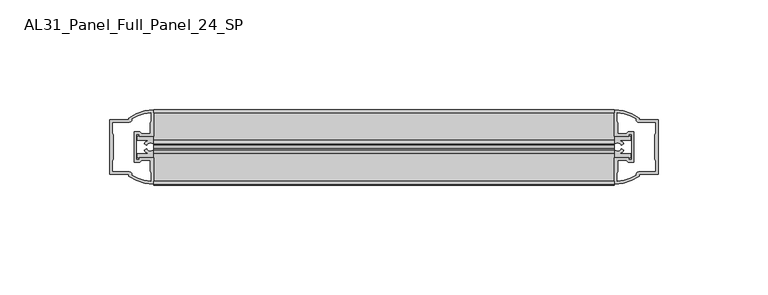
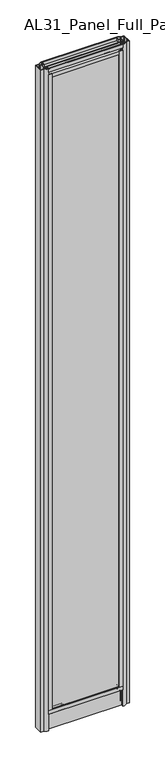
"""IFC4 building model written with IfcOpenShell, lengths in millimetres: plate geometry, AL31_Panel_Full_Panel_24_SP."""

from ifc_helpers import new_model, si_unit, point, frame, frame_2d, origin, origin_with_axes, place, context, project, spatial, polyline, circle_curve, trimmed, segment, composite_curve, outline, extrude, source, transform, mapped, element, save


def al31_panel_full_panel_24_sp_2b6be3f7(model_context):
    return source(origin(), model_context, "Body", "SweptSolid", [
        extrude(outline(composite_curve([segment(polyline([(-0.8778244, 46.2206013), (-1.4322398, 45.1563534)]), True, "CONTINUOUS"), segment(trimmed(circle_curve(frame_2d((0.0, 47.9056604)), 3.1), [point((-1.4322398, 45.1563534))], [point((-3.05, 47.3511336))], False, "CARTESIAN"), True, "CONTINUOUS"), segment(polyline([(-3.05, 47.3511336), (-3.05, 41.9), (-5.0, 41.9), (-5.0, 49.4), (-17.0, 49.4), (-17.0, 59.2), (-14.8, 59.2), (-14.8, 51.3), (14.8, 51.3), (14.8, 59.2), (17.0, 59.2), (17.0, 49.4), (5.0, 49.4), (5.0, 41.9), (3.05, 41.9), (3.05, 47.3511336)]), True, "CONTINUOUS"), segment(trimmed(circle_curve(frame_2d((0.0, 47.9056604)), 3.1), [point((3.05, 47.3511336))], [point((1.4322398, 45.1563534))], False, "CARTESIAN"), True, "CONTINUOUS"), segment(polyline([(1.4322398, 45.1563534), (0.8778244, 46.2206013)]), True, "CONTINUOUS"), segment(trimmed(circle_curve(frame_2d((0.0, 47.9056604)), 1.9), [point((0.8778244, 46.2206013))], [point((0.0, 49.8056604))], True, "CARTESIAN"), True, "CONTINUOUS"), segment(trimmed(circle_curve(frame_2d((0.0, 47.9056604)), 1.9), [point((0.0, 49.8056604))], [point((-0.8778244, 46.2206013))], True, "CARTESIAN"), True, "CONTINUOUS")], self_intersect=False)), frame((-105.0, 0.0, 0.0), z_axis=(1.0, 0.0, 0.0), x_axis=(0.0, 1.0, 0.0)), (0.0, 0.0, 1.0), 210.0),
        extrude(outline(composite_curve([segment(trimmed(circle_curve(frame_2d((-106.4943396, 0.0)), 1.9), [point((-108.1793987, -0.8778244))], [point((-104.5943396, 0.0))], True, "CARTESIAN"), True, "CONTINUOUS"), segment(trimmed(circle_curve(frame_2d((-106.4943396, 0.0)), 1.9), [point((-104.5943396, 0.0))], [point((-108.1793987, 0.8778244))], True, "CARTESIAN"), True, "CONTINUOUS"), segment(polyline([(-108.1793987, 0.8778244), (-109.2436466, 1.4322398)]), True, "CONTINUOUS"), segment(trimmed(circle_curve(frame_2d((-106.4943396, 0.0)), 3.1), [point((-109.2436466, 1.4322398))], [point((-107.0488664, 3.05))], False, "CARTESIAN"), True, "CONTINUOUS"), segment(polyline([(-107.0488664, 3.05), (-112.5, 3.05), (-112.5, 5.0), (-105.0, 5.0), (-105.0, 17.0), (-95.2, 17.0), (-95.2, 14.8), (-103.1, 14.8), (-103.1, -14.8), (-95.2, -14.8), (-95.2, -17.0), (-105.0, -17.0), (-105.0, -5.0), (-112.5, -5.0), (-112.5, -3.05), (-107.0488664, -3.05)]), True, "CONTINUOUS"), segment(trimmed(circle_curve(frame_2d((-106.4943396, 0.0)), 3.1), [point((-107.0488664, -3.05))], [point((-109.2436466, -1.4322398))], False, "CARTESIAN"), True, "CONTINUOUS"), segment(polyline([(-109.2436466, -1.4322398), (-108.1793987, -0.8778244)]), True, "CONTINUOUS")], self_intersect=False)), frame((0.0, 0.0, 49.4), z_axis=(0.0, 0.0, 1.0), x_axis=(1.0, 0.0, 0.0)), (0.0, 0.0, 1.0), 1906.6),
        extrude(outline(composite_curve([segment(polyline([(108.1793987, -0.8778244), (109.2436466, -1.4322398)]), True, "CONTINUOUS"), segment(trimmed(circle_curve(frame_2d((106.4943396, 0.0)), 3.1), [point((109.2436466, -1.4322398))], [point((107.0488664, -3.05))], False, "CARTESIAN"), True, "CONTINUOUS"), segment(polyline([(107.0488664, -3.05), (112.5, -3.05), (112.5, -5.0), (105.0, -5.0), (105.0, -17.0), (95.2, -17.0), (95.2, -14.8), (103.1, -14.8), (103.1, 14.8), (95.2, 14.8), (95.2, 17.0), (105.0, 17.0), (105.0, 5.0), (112.5, 5.0), (112.5, 3.05), (107.0488664, 3.05)]), True, "CONTINUOUS"), segment(trimmed(circle_curve(frame_2d((106.4943396, 0.0)), 3.1), [point((107.0488664, 3.05))], [point((109.2436466, 1.4322398))], False, "CARTESIAN"), True, "CONTINUOUS"), segment(polyline([(109.2436466, 1.4322398), (108.1793987, 0.8778244)]), True, "CONTINUOUS"), segment(trimmed(circle_curve(frame_2d((106.4943396, 0.0)), 1.9), [point((108.1793987, 0.8778244))], [point((104.5943396, 0.0))], True, "CARTESIAN"), True, "CONTINUOUS"), segment(trimmed(circle_curve(frame_2d((106.4943396, 0.0)), 1.9), [point((104.5943396, 0.0))], [point((108.1793987, -0.8778244))], True, "CARTESIAN"), True, "CONTINUOUS")], self_intersect=False)), frame((0.0, 0.0, 49.4), z_axis=(0.0, 0.0, 1.0), x_axis=(1.0, 0.0, 0.0)), (0.0, 0.0, 1.0), 1906.6),
        extrude(outline(composite_curve([segment(polyline([(0.8778244, 1959.1793987), (1.4322398, 1960.2436466)]), True, "CONTINUOUS"), segment(trimmed(circle_curve(frame_2d((0.0, 1957.4943396)), 3.1), [point((1.4322398, 1960.2436466))], [point((3.05, 1958.0488664))], False, "CARTESIAN"), True, "CONTINUOUS"), segment(polyline([(3.05, 1958.0488664), (3.05, 1963.5), (5.0, 1963.5), (5.0, 1956.0), (17.0, 1956.0), (17.0, 1946.2), (14.8, 1946.2), (14.8, 1954.1), (-14.8, 1954.1), (-14.8, 1946.2), (-17.0, 1946.2), (-17.0, 1956.0), (-5.0, 1956.0), (-5.0, 1963.5), (-3.05, 1963.5), (-3.05, 1958.0488664)]), True, "CONTINUOUS"), segment(trimmed(circle_curve(frame_2d((0.0, 1957.4943396)), 3.1), [point((-3.05, 1958.0488664))], [point((-1.4322398, 1960.2436466))], False, "CARTESIAN"), True, "CONTINUOUS"), segment(polyline([(-1.4322398, 1960.2436466), (-0.8778244, 1959.1793987)]), True, "CONTINUOUS"), segment(trimmed(circle_curve(frame_2d((0.0, 1957.4943396)), 1.9), [point((-0.8778244, 1959.1793987))], [point((0.0, 1955.5943396))], True, "CARTESIAN"), True, "CONTINUOUS"), segment(trimmed(circle_curve(frame_2d((0.0, 1957.4943396)), 1.9), [point((0.0, 1955.5943396))], [point((0.8778244, 1959.1793987))], True, "CARTESIAN"), True, "CONTINUOUS")], self_intersect=False)), frame((-105.0, 0.0, 0.0), z_axis=(1.0, 0.0, 0.0), x_axis=(0.0, 1.0, 0.0)), (0.0, 0.0, 1.0), 210.0),
        extrude(outline(composite_curve([segment(polyline([(-1.4, 1968.8980762), (-0.85, 1967.9454483)]), True, "CONTINUOUS"), segment(trimmed(circle_curve(frame_2d((0.1, 1966.3)), 1.9), [point((-0.85, 1967.9454483))], [point((1.05, 1967.9454483))], True, "CARTESIAN"), True, "CONTINUOUS"), segment(polyline([(1.05, 1967.9454483), (1.6, 1968.8980762)]), True, "CONTINUOUS"), segment(trimmed(circle_curve(frame_2d((0.1, 1966.3)), 3.0), [point((1.6, 1968.8980762))], [point((2.5718414, 1964.6))], False, "CARTESIAN"), True, "CONTINUOUS"), segment(polyline([(2.5718414, 1964.6), (15.7, 1964.6), (15.7, 1974.0), (17.0, 1974.0), (17.0, 1963.5), (6.7024688, 1963.5), (6.7024688, 1962.7), (6.1968782, 1960.7785039), (6.1968782, 1956.1), (5.0, 1956.1), (5.0, 1961.4339746), (5.5, 1962.3), (5.5, 1963.5), (-5.5, 1963.5), (-5.5, 1962.3), (-5.0, 1961.4339746), (-5.0, 1956.1), (-6.1968782, 1956.1), (-6.1968782, 1960.7785039), (-6.7024688, 1962.7), (-6.7024688, 1963.5), (-17.0, 1963.5), (-17.0, 1974.0), (-15.7, 1974.0), (-15.7, 1964.6), (-2.3718414, 1964.6)]), True, "CONTINUOUS"), segment(trimmed(circle_curve(frame_2d((0.1, 1966.3)), 3.0), [point((-2.3718414, 1964.6))], [point((-1.4, 1968.8980762))], False, "CARTESIAN"), True, "CONTINUOUS")], self_intersect=False)), frame((-105.0, 0.0, 0.0), z_axis=(1.0, 0.0, 0.0), x_axis=(0.0, 1.0, 0.0)), (0.0, 0.0, 1.0), 210.0),
        extrude(outline(composite_curve([segment(polyline([(-112.8414214, -5.9), (-111.6414214, -5.9), (-111.6414214, -5.0), (-105.0, -5.0), (-105.0, -17.0001453)]), True, "CONTINUOUS"), segment(trimmed(circle_curve(frame_2d((-104.6353484, 2.9965302)), 20.0), [point((-105.0, -17.0001453))], [point((-116.3558352, -13.2093388))], False, "CARTESIAN"), True, "CONTINUOUS"), segment(polyline([(-116.3558352, -13.2093388), (-116.3558352, -12.3279343), (-125.0, -12.3279343), (-125.0, 12.3720657), (-116.3558352, 12.3720657), (-116.3558352, 13.2095249)]), True, "CONTINUOUS"), segment(trimmed(circle_curve(frame_2d((-104.6353484, -2.9963441)), 20.0), [point((-116.3558352, 13.2095249))], [point((-105.0, 17.0003314))], False, "CARTESIAN"), True, "CONTINUOUS"), segment(polyline([(-105.0, 17.0003314), (-105.0, 5.0), (-111.6414214, 5.0), (-111.6414214, 5.9), (-112.8414214, 5.9), (-112.8414214, -5.9)]), True, "CONTINUOUS")], self_intersect=False), holes=[composite_curve([segment(trimmed(circle_curve(frame_2d((-111.8414214, 5.7)), 1.5), [point((-111.8414214, 7.2))], [point((-110.4861671, 6.3428731))], False, "CARTESIAN"), True, "CONTINUOUS"), segment(polyline([(-110.4861671, 6.3428731), (-106.7414214, 6.3428731), (-106.7414214, 10.939223), (-106.3020815, 11.9998832), (-106.3020815, 15.6499817)]), True, "CONTINUOUS"), segment(trimmed(circle_curve(frame_2d((-104.6353484, -2.9755921)), 18.7), [point((-106.3020815, 15.6499817))], [point((-114.6421262, 12.8216987))], True, "CARTESIAN"), True, "CONTINUOUS"), segment(trimmed(circle_curve(frame_2d((-116.4414214, 12.8720657)), 1.8), [point((-114.6421262, 12.8216987))], [point((-116.4414214, 11.0720657))], False, "CARTESIAN"), True, "CONTINUOUS"), segment(polyline([(-116.4414214, 11.0720657), (-123.5828427, 11.0720657), (-123.5828427, 6.5019606), (-123.1414214, 5.439223), (-123.1414214, -5.3950916), (-123.6414214, -6.3879987), (-123.6414214, -11.0279343), (-116.4414214, -11.0279343)]), True, "CONTINUOUS"), segment(trimmed(circle_curve(frame_2d((-116.4414214, -12.8279343)), 1.8), [point((-116.4414214, -11.0279343))], [point((-114.6421262, -12.7775673))], False, "CARTESIAN"), True, "CONTINUOUS"), segment(trimmed(circle_curve(frame_2d((-104.6353484, 3.0197235)), 18.7), [point((-114.6421262, -12.7775673))], [point((-106.3020815, -15.6058503))], True, "CARTESIAN"), True, "CONTINUOUS"), segment(polyline([(-106.3020815, -15.6058503), (-106.3020815, -11.9557518), (-106.7414214, -10.8950916), (-106.7414214, -6.2991308), (-110.4662696, -6.2991308)]), True, "CONTINUOUS"), segment(trimmed(circle_curve(frame_2d((-111.8414214, -5.7)), 1.5), [point((-110.4662696, -6.2991308))], [point((-111.8414214, -7.2))], False, "CARTESIAN"), True, "CONTINUOUS"), segment(polyline([(-111.8414214, -7.2), (-114.1414214, -7.2), (-114.1414214, 7.2), (-111.8414214, 7.2)]), True, "CONTINUOUS")], self_intersect=False)]), origin_with_axes(), (0.0, 0.0, 1.0), 1974.0),
        extrude(outline(composite_curve([segment(polyline([(112.8414214, 5.9), (111.6414214, 5.9), (111.6414214, 5.0), (105.0, 5.0), (105.0, 17.0001453)]), True, "CONTINUOUS"), segment(trimmed(circle_curve(frame_2d((104.6353484, -2.9965302)), 20.0), [point((105.0, 17.0001453))], [point((116.3558352, 13.2093388))], False, "CARTESIAN"), True, "CONTINUOUS"), segment(polyline([(116.3558352, 13.2093388), (116.3558352, 12.3279343), (125.0, 12.3279343), (125.0, -12.3720657), (116.3558352, -12.3720657), (116.3558352, -13.2095249)]), True, "CONTINUOUS"), segment(trimmed(circle_curve(frame_2d((104.6353484, 2.9963441)), 20.0), [point((116.3558352, -13.2095249))], [point((105.0, -17.0003314))], False, "CARTESIAN"), True, "CONTINUOUS"), segment(polyline([(105.0, -17.0003314), (105.0, -5.0), (111.6414214, -5.0), (111.6414214, -5.9), (112.8414214, -5.9), (112.8414214, 5.9)]), True, "CONTINUOUS")], self_intersect=False), holes=[composite_curve([segment(trimmed(circle_curve(frame_2d((111.8414214, -5.7)), 1.5), [point((111.8414214, -7.2))], [point((110.4861671, -6.3428731))], False, "CARTESIAN"), True, "CONTINUOUS"), segment(polyline([(110.4861671, -6.3428731), (106.7414214, -6.3428731), (106.7414214, -10.939223), (106.3020815, -11.9998832), (106.3020815, -15.6499817)]), True, "CONTINUOUS"), segment(trimmed(circle_curve(frame_2d((104.6353484, 2.9755921)), 18.7), [point((106.3020815, -15.6499817))], [point((114.6421262, -12.8216987))], True, "CARTESIAN"), True, "CONTINUOUS"), segment(trimmed(circle_curve(frame_2d((116.4414214, -12.8720657)), 1.8), [point((114.6421262, -12.8216987))], [point((116.4414214, -11.0720657))], False, "CARTESIAN"), True, "CONTINUOUS"), segment(polyline([(116.4414214, -11.0720657), (123.5828427, -11.0720657), (123.5828427, -6.5019606), (123.1414214, -5.439223), (123.1414214, 5.3950916), (123.6414214, 6.3879987), (123.6414214, 11.0279343), (116.4414214, 11.0279343)]), True, "CONTINUOUS"), segment(trimmed(circle_curve(frame_2d((116.4414214, 12.8279343)), 1.8), [point((116.4414214, 11.0279343))], [point((114.6421262, 12.7775673))], False, "CARTESIAN"), True, "CONTINUOUS"), segment(trimmed(circle_curve(frame_2d((104.6353484, -3.0197235)), 18.7), [point((114.6421262, 12.7775673))], [point((106.3020815, 15.6058503))], True, "CARTESIAN"), True, "CONTINUOUS"), segment(polyline([(106.3020815, 15.6058503), (106.3020815, 11.9557518), (106.7414214, 10.8950916), (106.7414214, 6.2991308), (110.4662696, 6.2991308)]), True, "CONTINUOUS"), segment(trimmed(circle_curve(frame_2d((111.8414214, 5.7)), 1.5), [point((110.4662696, 6.2991308))], [point((111.8414214, 7.2))], False, "CARTESIAN"), True, "CONTINUOUS"), segment(polyline([(111.8414214, 7.2), (114.1414214, 7.2), (114.1414214, -7.2), (111.8414214, -7.2)]), True, "CONTINUOUS")], self_intersect=False)]), origin_with_axes(), (0.0, 0.0, 1.0), 1974.0),
        extrude(outline(composite_curve([segment(trimmed(circle_curve(frame_2d((-8.4, 34.8)), 1.0), [point((-8.4, 35.8))], [point((-9.4, 34.8))], True, "CARTESIAN"), True, "CONTINUOUS"), segment(polyline([(-9.4, 34.8), (-9.4, 33.5), (-5.0000303, 33.5), (-5.0000303, 32.3), (-9.4, 32.3), (-9.4, 0.0), (-10.6, 0.0), (-10.6, 47.3)]), True, "CONTINUOUS"), segment(trimmed(circle_curve(frame_2d((-8.6, 47.3)), 2.0), [point((-10.6, 47.3))], [point((-8.6, 49.3))], False, "CARTESIAN"), True, "CONTINUOUS"), segment(polyline([(-8.6, 49.3), (-5.0, 49.3), (-5.0, 41.9), (5.0, 41.9), (5.0, 49.3), (8.6, 49.3)]), True, "CONTINUOUS"), segment(trimmed(circle_curve(frame_2d((8.6, 47.3)), 2.0), [point((8.6, 49.3))], [point((10.6, 47.3))], False, "CARTESIAN"), True, "CONTINUOUS"), segment(polyline([(10.6, 47.3), (10.6, 0.0), (9.4, 0.0), (9.4, 32.3), (4.9999697, 32.3), (4.9999697, 33.5), (9.4, 33.5), (9.4, 34.8)]), True, "CONTINUOUS"), segment(trimmed(circle_curve(frame_2d((8.4, 34.8)), 1.0), [point((9.4, 34.8))], [point((8.4, 35.8))], True, "CARTESIAN"), True, "CONTINUOUS"), segment(polyline([(8.4, 35.8), (-8.4, 35.8)]), True, "CONTINUOUS")], self_intersect=False), holes=[composite_curve([segment(trimmed(circle_curve(frame_2d((5.5024688, 41.8)), 1.0), [point((6.5024688, 41.8))], [point((5.5024688, 40.8))], False, "CARTESIAN"), True, "CONTINUOUS"), segment(polyline([(5.5024688, 40.8), (2.8008965, 40.8), (2.8008965, 39.7274194), (1.8370508, 39.7274194)]), True, "CONTINUOUS"), segment(trimmed(circle_curve(frame_2d((0.0, 38.7)), 2.1048387), [point((1.8370508, 39.7274194))], [point((-1.8370508, 39.7274194))], True, "CARTESIAN"), True, "CONTINUOUS"), segment(polyline([(-1.8370508, 39.7274194), (-2.8008965, 39.7274194), (-2.8008965, 40.8), (-5.5024688, 40.8)]), True, "CONTINUOUS"), segment(trimmed(circle_curve(frame_2d((-5.5024688, 41.8)), 1.0), [point((-5.5024688, 40.8))], [point((-6.5024688, 41.8))], False, "CARTESIAN"), True, "CONTINUOUS"), segment(polyline([(-6.5024688, 41.8), (-6.5024688, 42.7)]), True, "CONTINUOUS"), segment(trimmed(circle_curve(frame_2d((-5.3024688, 42.7)), 1.2), [point((-6.5024688, 42.7))], [point((-6.1198184, 43.5786009))], False, "CARTESIAN"), True, "CONTINUOUS"), segment(polyline([(-6.1198184, 43.5786009), (-6.1198184, 48.2), (-8.4, 48.2)]), True, "CONTINUOUS"), segment(trimmed(circle_curve(frame_2d((-8.4, 47.2)), 1.0), [point((-8.4, 48.2))], [point((-9.4, 47.2))], True, "CARTESIAN"), True, "CONTINUOUS"), segment(polyline([(-9.4, 47.2), (-9.4, 37.04), (-2.8008965, 37.04), (-2.8008965, 38.0725806), (-1.8370508, 38.0725806)]), True, "CONTINUOUS"), segment(trimmed(circle_curve(frame_2d((0.0, 39.1)), 2.1048387), [point((-1.8370508, 38.0725806))], [point((1.8370508, 38.0725806))], True, "CARTESIAN"), True, "CONTINUOUS"), segment(polyline([(1.8370508, 38.0725806), (2.8008965, 38.0725806), (2.8008965, 37.04), (9.4, 37.04), (9.4, 47.2)]), True, "CONTINUOUS"), segment(trimmed(circle_curve(frame_2d((8.4, 47.2)), 1.0), [point((9.4, 47.2))], [point((8.4, 48.2))], True, "CARTESIAN"), True, "CONTINUOUS"), segment(polyline([(8.4, 48.2), (6.1198184, 48.2), (6.1198184, 43.7786009)]), True, "CONTINUOUS"), segment(trimmed(circle_curve(frame_2d((5.3024688, 42.9)), 1.2), [point((6.1198184, 43.7786009))], [point((6.5024688, 42.9))], False, "CARTESIAN"), True, "CONTINUOUS"), segment(polyline([(6.5024688, 42.9), (6.5024688, 41.8)]), True, "CONTINUOUS")], self_intersect=False)]), frame((-105.0, 0.0, 0.0), z_axis=(1.0, 0.0, 0.0), x_axis=(0.0, 1.0, 0.0)), (0.0, 0.0, 1.0), 210.0),
        extrude(outline(polyline([(103.1, -8.0), (103.1, -12.0), (-103.1, -12.0), (-103.1, -8.0), (103.1, -8.0)])), frame((0.0, 0.0, 51.3), z_axis=(0.0, 0.0, 1.0), x_axis=(1.0, 0.0, 0.0)), (0.0, 0.0, 1.0), 1902.8),
        extrude(outline(polyline([(103.1, 12.0), (103.1, 8.0), (-103.1, 8.0), (-103.1, 12.0), (103.1, 12.0)])), frame((0.0, 0.0, 51.3), z_axis=(0.0, 0.0, 1.0), x_axis=(1.0, 0.0, 0.0)), (0.0, 0.0, 1.0), 1902.8),
        extrude(outline(polyline([(17.0, 59.2), (17.0, 49.4), (10.6, 49.4), (10.6, 0.0), (-10.6, 0.0), (-10.6, 49.4), (-17.0, 49.4), (-17.0, 59.2), (17.0, 59.2)])), frame((-105.0, 0.0, 0.0), z_axis=(1.0, 0.0, 0.0), x_axis=(0.0, 1.0, 0.0)), (0.0, 0.0, 1.0), 210.0),
    ])


if __name__ == "__main__":
    model = new_model("IFC4")
    model_context = context("Model", 3, world=origin())
    ifc_project = project(units=[si_unit("LENGTHUNIT", "METRE", prefix="MILLI")], contexts=[model_context])
    site = spatial("IfcSite", under=ifc_project)
    building = spatial("IfcBuilding", under=site)
    placement = place(None, origin())
    al31_panel_full_panel_24_sp_shape = al31_panel_full_panel_24_sp_2b6be3f7(model_context)
    element("IfcPlate", 1, ObjectType="AL31_Panel_Full_Panel_24_SP", at=placement, inside=building, context=model_context, shape_type="MappedRepresentation", body=[
        mapped(al31_panel_full_panel_24_sp_shape, transform((0.0, 0.0, 0.0), x_axis=(1.0, 0.0, 0.0), y_axis=(0.0, 1.0, 0.0), z_axis=(0.0, 0.0, 1.0))),
    ])
    save(model, "model.ifc")
